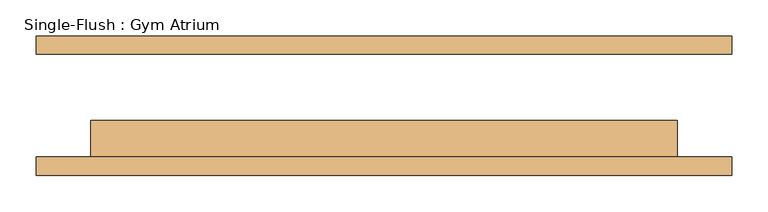
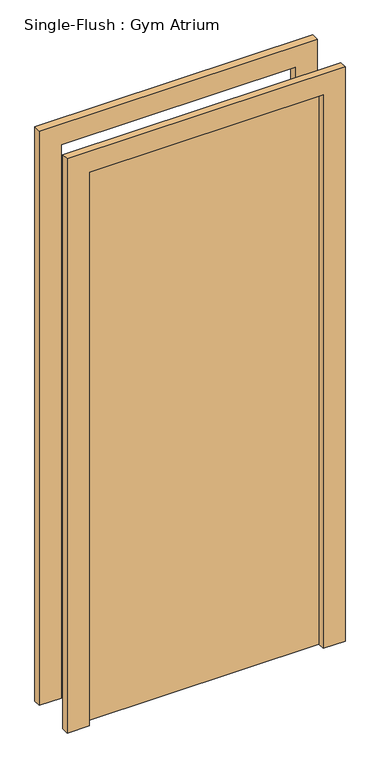
"""IFC4 building model written with IfcOpenShell, lengths in millimetres: door geometry, Single-Flush : Gym Atrium."""

from ifc_helpers import new_model, si_unit, frame, origin, origin_with_axes, place, context, project, spatial, polyline, outline, extrude, source, transform, mapped, element, save


def single_flush_gym_atrium_97b8267b(model_context):
    return source(origin(), model_context, "Body", "SweptSolid", [
        extrude(outline(polyline([(2108.2, -482.6), (0.0, -482.6), (0.0, -406.4), (2032.0, -406.4), (2032.0, 406.4), (0.0, 406.4), (0.0, 482.6), (2108.2, 482.6), (2108.2, -482.6)])), frame((0.0, -96.8375, 0.0), z_axis=(0.0, 1.0, 0.0), x_axis=(0.0, 0.0, 1.0)), (0.0, 0.0, 1.0), 25.4),
        extrude(outline(polyline([(2108.2, 482.6), (2108.2, -482.6), (0.0, -482.6), (0.0, -406.4), (2032.0, -406.4), (2032.0, 406.4), (0.0, 406.4), (0.0, 482.6), (2108.2, 482.6)])), frame((0.0, 71.4375, 0.0), z_axis=(0.0, 1.0, 0.0), x_axis=(0.0, 0.0, 1.0)), (0.0, 0.0, 1.0), 25.4),
        extrude(outline(polyline([(406.4, -20.6375), (406.4, -71.4375), (-406.4, -71.4375), (-406.4, -20.6375), (406.4, -20.6375)])), origin_with_axes(), (0.0, 0.0, 1.0), 2032.0),
    ])


if __name__ == "__main__":
    model = new_model("IFC4")
    model_context = context("Model", 3, world=origin())
    ifc_project = project(units=[si_unit("LENGTHUNIT", "METRE", prefix="MILLI")], contexts=[model_context])
    site = spatial("IfcSite", under=ifc_project)
    building = spatial("IfcBuilding", under=site)
    placement = place(None, origin())
    single_flush_gym_atrium_shape = single_flush_gym_atrium_97b8267b(model_context)
    element("IfcDoor", 1, ObjectType="Single-Flush : Gym Atrium", at=placement, inside=building, context=model_context, shape_type="MappedRepresentation", body=[
        mapped(single_flush_gym_atrium_shape, transform((0.0, 0.0, 0.0), x_axis=(1.0, 0.0, 0.0), y_axis=(0.0, 1.0, 0.0), z_axis=(0.0, 0.0, 1.0))),
    ])
    save(model, "model.ifc")
